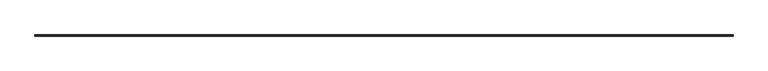
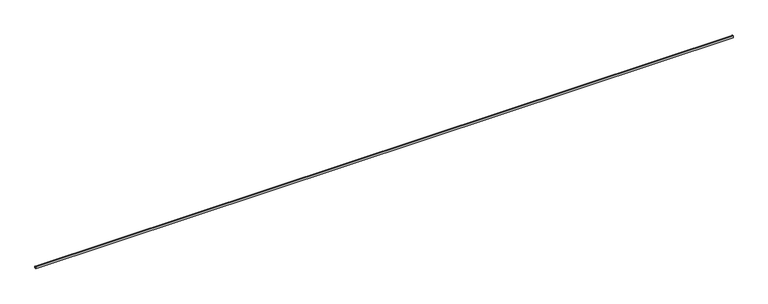
"""IFC4 building model written with IfcOpenShell, lengths in millimetres: railing geometry."""

from ifc_helpers import new_model, si_unit, point, frame, frame_2d, origin, place, context, project, spatial, polyline, circle_curve, trimmed, segment, composite_curve, outline, extrude, source, transform, mapped, element, save


def railing_a3d2b94d(model_context):
    return source(origin(), model_context, "Body", "SweptSolid", [
        extrude(outline(composite_curve([segment(polyline([(54314.1766023, 687.2), (54309.6766023, 687.2), (54309.6766023, 691.2), (54306.1766023, 691.2), (54306.1766023, 671.2), (54309.6766023, 671.2), (54309.6766023, 675.2), (54314.1766023, 675.2)]), True, "CONTINUOUS"), segment(trimmed(circle_curve(frame_2d((54314.1766023, 663.2)), 12.0), [point((54314.1766023, 675.2))], [point((54314.1766023, 651.2000001))], False, "CARTESIAN"), True, "CONTINUOUS"), segment(polyline([(54314.1766023, 651.2000001), (54296.1766023, 651.2000001), (54296.1766023, 711.2), (54314.1766023, 711.2)]), True, "CONTINUOUS"), segment(trimmed(circle_curve(frame_2d((54314.1766023, 699.2)), 12.0), [point((54314.1766023, 711.2))], [point((54314.1766023, 687.2))], False, "CARTESIAN"), True, "CONTINUOUS")], self_intersect=False)), frame((31170.4663719, 0.0, 0.0), z_axis=(1.0, 0.0, 0.0), x_axis=(0.0, 1.0, 0.0)), (0.0, 0.0, 1.0), 18288.0),
    ])


if __name__ == "__main__":
    model = new_model("IFC4")
    model_context = context("Model", 3, world=origin())
    ifc_project = project(units=[si_unit("LENGTHUNIT", "METRE", prefix="MILLI")], contexts=[model_context])
    site = spatial("IfcSite", under=ifc_project)
    building = spatial("IfcBuilding", under=site)
    placement = place(None, origin())
    railing_shape = railing_a3d2b94d(model_context)
    element("IfcRailing", 1, at=placement, inside=building, context=model_context, shape_type="MappedRepresentation", body=[
        mapped(railing_shape, transform((0.0, 0.0, 0.0), x_axis=(1.0, 0.0, 0.0), y_axis=(0.0, 1.0, 0.0), z_axis=(0.0, 0.0, 1.0))),
    ])
    save(model, "model.ifc")
